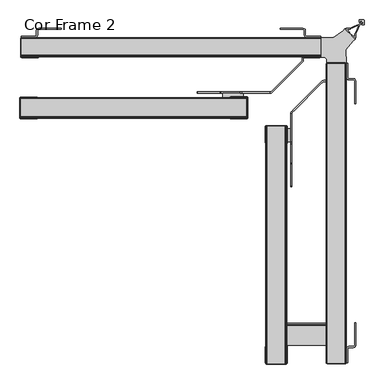
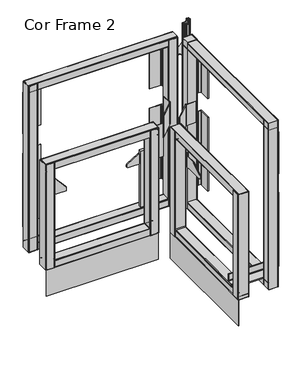
"""IFC4 building model written with IfcOpenShell, lengths in millimetres: furniture geometry, Cor Frame 2."""

from ifc_helpers import new_model, si_unit, point, frame, frame_2d, origin, origin_with_axes, place, context, project, spatial, polyline, circle_curve, trimmed, segment, composite_curve, outline, extrude, source, transform, mapped, element, save


def cor_frame_2_57cc7807(model_context):
    return source(origin(), model_context, "Body", "SweptSolid", [
        extrude(outline(polyline([(776.7687206, -78.7337293), (771.7687351, -73.7337166), (761.999782, -73.7336791), (761.9999273, -24.7106865), (793.9644007, -24.7107783), (818.8310193, -6.2158904), (823.1545797, -1.8924351), (848.6102945, -27.3483538), (844.2868162, -31.6718733), (824.89151, -54.6025556), (825.9938372, -88.5028693), (776.7687206, -88.5027279), (776.7687206, -78.7337293)])), frame((0.0, 0.0, 943.0270389), z_axis=(0.0, 0.0, 1.0), x_axis=(1.0, 0.0, 0.0)), (0.0, 0.0, 1.0), 3.1075138),
        extrude(outline(polyline([(829.705533, -814.2777027), (829.705533, -849.7620232), (826.675293, -849.7620232), (826.6752936, -814.2493364), (827.4816797, -811.2398635), (829.705533, -809.0160121), (832.7433728, -808.202022), (844.5696131, -808.202022), (846.0885339, -807.7950292), (847.2004595, -806.6831013), (847.6074523, -805.1641851), (847.6074523, -747.739865), (850.6452938, -747.739865), (850.6452938, -805.1641851), (849.831306, -808.202022), (847.6074523, -810.4258779), (844.5696131, -811.2398635), (832.7433728, -811.2398635), (831.2244529, -811.6468563), (830.1125264, -812.7587842), (829.705533, -814.2777027)])), frame((0.0, 0.0, 749.3020105), z_axis=(0.0, 0.0, 1.0), x_axis=(1.0, 0.0, 0.0)), (0.0, 0.0, 1.0), 227.1646322),
        extrude(outline(polyline([(829.6979498, -125.0097177), (830.1049431, -126.5286361), (831.2168697, -127.6405641), (832.7357895, -128.0475568), (844.5620299, -128.0475568), (847.5998691, -128.8615424), (849.8237227, -131.0853983), (850.6377105, -134.1232352), (850.6377105, -191.5475553), (847.5998691, -191.5475553), (847.5998691, -134.1232352), (847.1928763, -132.604319), (846.0809506, -131.4923911), (844.5620299, -131.0853983), (832.7357895, -131.0853983), (829.6979498, -130.2714082), (827.4740964, -128.0475568), (826.6677104, -125.0380839), (826.6677097, -89.5253971), (829.6979498, -89.5253971), (829.6979498, -125.0097177)])), frame((0.0, 0.0, 749.1634919), z_axis=(0.0, 0.0, 1.0), x_axis=(1.0, 0.0, 0.0)), (0.0, 0.0, 1.0), 229.1969209),
        extrude(outline(polyline([(725.6356885, -20.9397608), (761.120009, -20.9397608), (761.120009, -23.9700008), (725.6073222, -23.9700002), (722.5978493, -23.1636141), (720.3739979, -20.9397608), (719.5600078, -17.901921), (719.5600078, -6.0756807), (719.153015, -4.5567599), (718.0410871, -3.4448342), (716.5221709, -3.0378415), (659.0978508, -3.0378415), (659.0978508, 0.0), (716.5221709, 0.0), (719.5600078, -0.8139878), (721.7838637, -3.0378415), (722.5978493, -6.0756807), (722.5978493, -17.901921), (723.0048421, -19.4208409), (724.11677, -20.5327674), (725.6356885, -20.9397608)])), frame((0.0, 0.0, 752.9485738), z_axis=(0.0, 0.0, 1.0), x_axis=(1.0, 0.0, 0.0)), (0.0, 0.0, 1.0), 223.518069),
        extrude(outline(polyline([(36.3643206, -20.9397608), (37.8832391, -20.5327674), (38.995167, -19.4208409), (39.4021598, -17.901921), (39.4021598, -6.0756807), (40.2161454, -3.0378415), (42.4400013, -0.8139878), (45.4778382, 0.0), (102.9021583, 0.0), (102.9021583, -3.0378415), (45.4778382, -3.0378415), (43.958922, -3.4448342), (42.846994, -4.5567599), (42.4400013, -6.0756807), (42.4400013, -17.901921), (41.6260112, -20.9397608), (39.4021598, -23.1636141), (36.3926869, -23.9700002), (0.8800001, -23.9700008), (0.8800001, -20.9397608), (36.3643206, -20.9397608)])), frame((0.0, 0.0, 752.9485738), z_axis=(0.0, 0.0, 1.0), x_axis=(1.0, 0.0, 0.0)), (0.0, 0.0, 1.0), 223.518069),
        extrude(outline(polyline([(0.0, -226.566941), (573.0647824, -226.566941), (573.0647824, -228.5988664), (0.0, -228.5988664), (0.0, -226.566941)])), origin_with_axes(), (0.0, 0.0, 1.0), 142.2400006),
        extrude(outline(polyline([(685.3848199, -254.7622891), (685.3848199, -287.8070573), (675.2994826, -287.8070573), (675.2994826, -254.7622891), (685.3848199, -254.7622891)])), frame((0.0, 0.0, 270.8106843), z_axis=(0.0, 0.0, 1.0), x_axis=(1.0, 0.0, 0.0)), (0.0, 0.0, 1.0), 302.8186591),
        extrude(outline(polyline([(565.0267924, -164.8726753), (565.0267924, -176.7758205), (513.2720922, -176.7758205), (513.2720922, -164.8726753), (565.0267924, -164.8726753)])), frame((0.0, 0.0, 270.8106843), z_axis=(0.0, 0.0, 1.0), x_axis=(1.0, 0.0, 0.0)), (0.0, 0.0, 1.0), 302.8186591),
        extrude(outline(polyline([(-800.2294182, 497.0420085), (-803.3409198, 497.8757149), (-805.6186968, 500.1534828), (-806.4524214, 503.2649935), (-806.4524214, 580.3241343), (-802.2345465, 584.5420092), (-800.4044212, 586.37213), (-797.9044193, 587.0420019), (-781.0520959, 587.0420019), (-779.634845, 586.8369272), (-778.3338434, 586.2385626), (-777.2558114, 585.2959602), (-719.956134, 518.4463343), (-719.3000693, 517.4675786), (-718.8912553, 516.3624862), (-718.7524193, 515.1923904), (-718.7524193, 497.0420085), (-800.2294182, 497.0420085)])), frame((672.1244785, 0.0, 0.0), z_axis=(1.0, 0.0, 0.0), x_axis=(0.0, 1.0, 0.0)), (0.0, 0.0, 1.0), 2.9480724),
        extrude(outline(polyline([(497.0420085, 47.5022938), (497.0420085, 128.9792927), (515.1923904, 128.9792927), (516.3624862, 128.8404567), (517.4675786, 128.4316426), (518.4463343, 127.775578), (585.2959602, 70.4759006), (586.2385626, 69.3978686), (586.8369272, 68.096867), (587.0420019, 66.6796161), (587.0420019, 49.8272927), (586.37213, 47.3272908), (584.5420092, 45.4971654), (580.3241343, 41.2792906), (503.2649935, 41.2792906), (500.1534828, 42.1130152), (497.8757149, 44.3907922), (497.0420085, 47.5022938)])), frame((0.0, -181.5383205, 0.0), z_axis=(0.0, 1.0, 0.0), x_axis=(0.0, 0.0, 1.0)), (0.0, 0.0, 1.0), 2.9458206),
        extrude(outline(polyline([(-216.3709926, 497.0420085), (-397.8070473, 497.0420085), (-402.8070691, 502.041994), (-402.8070691, 514.2191214), (-400.3900291, 518.5002917), (-343.9985221, 552.5231423), (-341.4155402, 553.2419938), (-292.807061, 553.2419938), (-292.807061, 668.2419874), (-287.8070573, 673.2419729), (-216.3709926, 673.2419729), (-216.3709926, 497.0420085)])), frame((685.3848199, 0.0, 0.0), z_axis=(1.0, 0.0, 0.0), x_axis=(0.0, 1.0, 0.0)), (0.0, 0.0, 1.0), 3.0479971),
        extrude(outline(polyline([(497.0420085, 633.9198364), (673.2419729, 633.9198364), (673.2419729, 562.4837716), (668.2419874, 557.4837679), (553.2419938, 557.4837679), (553.2419938, 508.8752887), (552.5231423, 506.2923069), (518.5002917, 449.9007998), (514.2191214, 447.4837598), (502.041994, 447.4837598), (497.0420085, 452.4837817), (497.0420085, 633.9198364)])), frame((0.0, -164.8726753, 0.0), z_axis=(0.0, 1.0, 0.0), x_axis=(0.0, 0.0, 1.0)), (0.0, 0.0, 1.0), 3.0479971),
        extrude(outline(polyline([(633.8786218, -164.8647944), (633.8786218, -161.8167973), (634.7003739, -161.7085917), (635.4661157, -161.3913872), (636.1236882, -160.8868395), (637.5379006, -159.472609), (641.0734224, -155.9371416), (708.6148757, -88.3956248), (712.1504066, -84.8601574), (713.5646281, -83.4459269), (714.0691939, -82.7883362), (714.3863712, -82.0226126), (714.4945586, -81.2008604), (714.4945586, -32.7785254), (717.5425557, -32.7785254), (717.5425557, -81.2008604), (717.3305138, -82.8114453), (716.7088402, -84.3123711), (715.7198835, -85.6011732), (714.3056712, -87.0154038), (710.7701402, -90.5509438), (643.2286869, -158.092388), (639.6931469, -161.627928), (638.2789346, -163.0420859), (636.9901142, -164.0310517), (635.4892429, -164.6527434), (633.8786218, -164.8647944)])), frame((0.0, 0.0, 597.0420093), z_axis=(0.0, 0.0, 1.0), x_axis=(1.0, 0.0, 0.0)), (0.0, 0.0, 1.0), 113.7000003),
        extrude(outline(polyline([(685.3848199, -216.3709926), (685.596871, -214.7603714), (686.2185627, -213.2595001), (687.2075285, -211.9706798), (688.6216863, -210.5564674), (692.1572263, -207.0209274), (759.6986705, -139.4794741), (763.2342105, -135.9439432), (764.6484411, -134.5297308), (765.9372432, -133.5407741), (767.4381691, -132.9191005), (769.0487539, -132.7070586), (817.4710889, -132.7070586), (817.4710889, -135.7550557), (769.0487539, -135.7550557), (768.2270017, -135.8632432), (767.4612781, -136.1804204), (766.8036874, -136.6849862), (765.3894569, -138.0992077), (761.8539896, -141.6347386), (694.3124727, -209.1761919), (690.7770053, -212.7117137), (689.3627748, -214.1259261), (688.8582271, -214.7834986), (688.5410226, -215.5492404), (688.432817, -216.3709926), (685.3848199, -216.3709926)])), frame((0.0, 0.0, 597.0420093), z_axis=(0.0, 0.0, 1.0), x_axis=(1.0, 0.0, 0.0)), (0.0, 0.0, 1.0), 113.7000003),
        extrude(outline(polyline([(-224.6105092, 670.633925), (-226.4171717, 671.1180192), (-227.5793056, 672.2801498), (-227.8062373, 673.1270707), (-227.8062373, 707.4495339), (-227.1127976, 708.898009), (-225.805669, 709.8672858), (-224.6312332, 710.0924814), (-179.456232, 710.092486), (-177.8454079, 708.898009), (-177.1519681, 707.4495385), (-177.1519682, 705.3201518), (-177.1519687, 674.608229), (-177.7757757, 672.2801498), (-178.9379063, 671.1180192), (-180.7445705, 670.633925), (-224.6105092, 670.633925)]), holes=[composite_curve([segment(polyline([(-225.25623, 672.2730899), (-180.164026, 672.2730899)]), True, "CONTINUOUS"), segment(trimmed(circle_curve(frame_2d((-180.164026, 673.4793663)), 1.2062764), [point((-180.164026, 672.2730899))], [point((-178.9577496, 673.4793662))], True, "CARTESIAN"), True, "CONTINUOUS"), segment(polyline([(-178.9577496, 673.4793662), (-178.9577493, 706.8334351)]), True, "CONTINUOUS"), segment(trimmed(circle_curve(frame_2d((-180.2125782, 706.8334351)), 1.2548289), [point((-178.9577493, 706.8334351))], [point((-180.2125782, 708.088264))], True, "CARTESIAN"), True, "CONTINUOUS"), segment(polyline([(-180.2125782, 708.088264), (-225.1930729, 708.088264)]), True, "CONTINUOUS"), segment(trimmed(circle_curve(frame_2d((-225.1930729, 707.2312742)), 0.8569898), [point((-225.1930729, 708.088264))], [point((-226.0500627, 707.2312742))], True, "CARTESIAN"), True, "CONTINUOUS"), segment(polyline([(-226.0500627, 707.2312742), (-226.0500627, 706.1659872), (-226.0500627, 673.0669225)]), True, "CONTINUOUS"), segment(trimmed(circle_curve(frame_2d((-225.25623, 673.0669225)), 0.7938326), [point((-226.0500627, 673.0669225))], [point((-225.25623, 672.2730899))], True, "CARTESIAN"), True, "CONTINUOUS")], self_intersect=False)]), frame((0.0, 0.0, 0.0), z_axis=(1.0, 0.0, 0.0), x_axis=(0.0, 1.0, 0.0)), (0.0, 0.0, 1.0), 573.0647824),
        extrude(outline(polyline([(-225.4042592, 140.408925), (-227.2109217, 140.8930192), (-228.3730556, 142.0551498), (-228.5999873, 142.9020707), (-228.5999873, 177.2245339), (-227.9065476, 178.673009), (-226.599419, 179.6422858), (-225.4249832, 179.8674814), (-180.249982, 179.867486), (-178.6391579, 178.673009), (-177.9457181, 177.2245385), (-177.9457182, 175.0951518), (-177.9457187, 144.383229), (-178.5695257, 142.0551498), (-179.7316563, 140.8930192), (-181.5383205, 140.408925), (-225.4042592, 140.408925)]), holes=[composite_curve([segment(polyline([(-226.04998, 142.0480899), (-180.957776, 142.0480899)]), True, "CONTINUOUS"), segment(trimmed(circle_curve(frame_2d((-180.957776, 143.2543663)), 1.2062764), [point((-180.957776, 142.0480899))], [point((-179.7514996, 143.2543662))], True, "CARTESIAN"), True, "CONTINUOUS"), segment(polyline([(-179.7514996, 143.2543662), (-179.7514993, 176.6084351)]), True, "CONTINUOUS"), segment(trimmed(circle_curve(frame_2d((-181.0063282, 176.6084351)), 1.2548289), [point((-179.7514993, 176.6084351))], [point((-181.0063282, 177.863264))], True, "CARTESIAN"), True, "CONTINUOUS"), segment(polyline([(-181.0063282, 177.863264), (-225.9868229, 177.863264)]), True, "CONTINUOUS"), segment(trimmed(circle_curve(frame_2d((-225.9868229, 177.0062742)), 0.8569898), [point((-225.9868229, 177.863264))], [point((-226.8438127, 177.0062742))], True, "CARTESIAN"), True, "CONTINUOUS"), segment(polyline([(-226.8438127, 177.0062742), (-226.8438127, 175.9409872), (-226.8438127, 142.8419225)]), True, "CONTINUOUS"), segment(trimmed(circle_curve(frame_2d((-226.04998, 142.8419225)), 0.7938326), [point((-226.8438127, 142.8419225))], [point((-226.04998, 142.0480899))], True, "CARTESIAN"), True, "CONTINUOUS")], self_intersect=False)]), frame((0.0, 0.0, 0.0), z_axis=(1.0, 0.0, 0.0), x_axis=(0.0, 1.0, 0.0)), (0.0, 0.0, 1.0), 573.0647824),
        extrude(outline(polyline([(533.0843196, -229.8375756), (531.4968211, -229.4122062), (530.3346873, -228.2500757), (530.1077556, -227.4031548), (530.1077556, -177.1057998), (530.8011953, -175.6573248), (532.1083239, -174.688048), (533.2827592, -174.4628524), (574.4890115, -174.4628483), (576.0998349, -175.6573248), (576.7932747, -177.1057953), (576.7932747, -179.235182), (576.7932738, -225.9219975), (576.1694671, -228.2500757), (575.0073365, -229.4122063), (573.4198366, -229.8375756), (533.0843196, -229.8375756)]), holes=[composite_curve([segment(polyline([(532.6577628, -227.9325755), (573.7812164, -227.9325755)]), True, "CONTINUOUS"), segment(trimmed(circle_curve(frame_2d((573.7812164, -226.7262991)), 1.2062764), [point((573.7812164, -227.9325755))], [point((574.9874928, -226.7262992))], True, "CARTESIAN"), True, "CONTINUOUS"), segment(polyline([(574.9874928, -226.7262992), (574.9874936, -177.7218987)]), True, "CONTINUOUS"), segment(trimmed(circle_curve(frame_2d((573.7326647, -177.7218986)), 1.2548289), [point((574.9874936, -177.7218987))], [point((573.7326647, -176.4670698))], True, "CARTESIAN"), True, "CONTINUOUS"), segment(polyline([(573.7326647, -176.4670698), (532.72092, -176.4670698)]), True, "CONTINUOUS"), segment(trimmed(circle_curve(frame_2d((532.72092, -177.3240596)), 0.8569898), [point((532.72092, -176.4670698))], [point((531.8639302, -177.3240596))], True, "CARTESIAN"), True, "CONTINUOUS"), segment(polyline([(531.8639302, -177.3240596), (531.8639302, -178.3893466), (531.8639302, -227.1387429)]), True, "CONTINUOUS"), segment(trimmed(circle_curve(frame_2d((532.6577628, -227.1387429)), 0.7938326), [point((531.8639302, -227.1387429))], [point((532.6577628, -227.9325755))], True, "CARTESIAN"), True, "CONTINUOUS")], self_intersect=False)]), frame((0.0, 0.0, 142.2400006), z_axis=(0.0, 0.0, 1.0), x_axis=(1.0, 0.0, 0.0)), (0.0, 0.0, 1.0), 565.9119781),
        extrude(outline(polyline([(0.1933567, -230.2344506), (-1.3941418, -229.8090812), (-2.5562756, -228.6469507), (-2.7832073, -227.8000298), (-2.7832073, -177.5026748), (-2.0897676, -176.0541998), (-0.782639, -175.084923), (0.3917964, -174.8597274), (41.5980487, -174.8597233), (43.2088721, -176.0541998), (43.9023119, -177.5026703), (43.9023118, -179.632057), (43.902311, -226.3188725), (43.2785043, -228.6469507), (42.1163736, -229.8090813), (40.5288737, -230.2344506), (0.1933567, -230.2344506)]), holes=[composite_curve([segment(polyline([(-0.2332, -228.3294505), (40.8902535, -228.3294505)]), True, "CONTINUOUS"), segment(trimmed(circle_curve(frame_2d((40.8902535, -227.1231741)), 1.2062764), [point((40.8902535, -228.3294505))], [point((42.0965299, -227.1231742))], True, "CARTESIAN"), True, "CONTINUOUS"), segment(polyline([(42.0965299, -227.1231742), (42.0965307, -178.1187737)]), True, "CONTINUOUS"), segment(trimmed(circle_curve(frame_2d((40.8417018, -178.1187736)), 1.2548289), [point((42.0965307, -178.1187737))], [point((40.8417018, -176.8639448))], True, "CARTESIAN"), True, "CONTINUOUS"), segment(polyline([(40.8417018, -176.8639448), (-0.1700429, -176.8639448)]), True, "CONTINUOUS"), segment(trimmed(circle_curve(frame_2d((-0.1700429, -177.7209346)), 0.8569898), [point((-0.1700429, -176.8639448))], [point((-1.0270327, -177.7209346))], True, "CARTESIAN"), True, "CONTINUOUS"), segment(polyline([(-1.0270327, -177.7209346), (-1.0270327, -178.7862216), (-1.0270327, -227.5356179)]), True, "CONTINUOUS"), segment(trimmed(circle_curve(frame_2d((-0.2332, -227.5356179)), 0.7938326), [point((-1.0270327, -227.5356179))], [point((-0.2332, -228.3294505))], True, "CARTESIAN"), True, "CONTINUOUS")], self_intersect=False)]), frame((0.0, 0.0, 142.2400006), z_axis=(0.0, 0.0, 1.0), x_axis=(1.0, 0.0, 0.0)), (0.0, 0.0, 1.0), 565.9119781),
        extrude(outline(composite_curve([segment(trimmed(circle_curve(frame_2d((689.1019787, 19.681731)), 19.05), [point((708.1519787, 19.681731))], [point((689.1019787, 0.631731))], False, "CARTESIAN"), True, "CONTINUOUS"), segment(polyline([(689.1019787, 0.631731), (164.3379977, 0.631731)]), True, "CONTINUOUS"), segment(trimmed(circle_curve(frame_2d((164.3379977, 19.681731)), 19.05), [point((164.3379977, 0.631731))], [point((145.2879977, 19.681731))], False, "CARTESIAN"), True, "CONTINUOUS"), segment(polyline([(145.2879977, 19.681731), (145.2879977, 555.5017924)]), True, "CONTINUOUS"), segment(trimmed(circle_curve(frame_2d((164.3379977, 555.5017924)), 19.05), [point((145.2879977, 555.5017924))], [point((164.3379977, 574.5517924))], False, "CARTESIAN"), True, "CONTINUOUS"), segment(polyline([(164.3379977, 574.5517924), (689.1019787, 574.5517924)]), True, "CONTINUOUS"), segment(trimmed(circle_curve(frame_2d((689.1019787, 555.5017924)), 19.05), [point((689.1019787, 574.5517924))], [point((708.1519787, 555.5017924))], False, "CARTESIAN"), True, "CONTINUOUS"), segment(polyline([(708.1519787, 555.5017924), (708.1519787, 19.681731)]), True, "CONTINUOUS")], self_intersect=False), holes=[composite_curve([segment(polyline([(676.3210001, 60.3250015), (676.3210001, 514.2267909)]), True, "CONTINUOUS"), segment(trimmed(circle_curve(frame_2d((657.2710001, 514.2267909)), 19.05), [point((676.3210001, 514.2267909))], [point((657.2710001, 533.2767909))], True, "CARTESIAN"), True, "CONTINUOUS"), segment(polyline([(657.2710001, 533.2767909), (193.2638393, 533.2767909)]), True, "CONTINUOUS"), segment(trimmed(circle_curve(frame_2d((193.2638393, 514.2267909)), 19.05), [point((193.2638393, 533.2767909))], [point((174.2138393, 514.2267909))], True, "CARTESIAN"), True, "CONTINUOUS"), segment(polyline([(174.2138393, 514.2267909), (174.2138393, 60.3250015)]), True, "CONTINUOUS"), segment(trimmed(circle_curve(frame_2d((193.2638393, 60.3250015)), 19.05), [point((174.2138393, 60.3250015))], [point((193.2638393, 41.2750015))], True, "CARTESIAN"), True, "CONTINUOUS"), segment(polyline([(193.2638393, 41.2750015), (657.2710001, 41.2750015)]), True, "CONTINUOUS"), segment(trimmed(circle_curve(frame_2d((657.2710001, 60.3250015)), 19.05), [point((657.2710001, 41.2750015))], [point((676.3210001, 60.3250015))], True, "CARTESIAN"), True, "CONTINUOUS")], self_intersect=False)]), frame((0.0, -227.5757721, 0.0), z_axis=(0.0, 1.0, 0.0), x_axis=(0.0, 0.0, 1.0)), (0.0, 0.0, 1.0), 50.7999516),
        extrude(outline(polyline([(-749.0452291, 217.1649967), (-749.0452291, 183.3880068), (-749.8789537, 180.2764961), (-752.1567216, 177.9987282), (-755.2682141, 177.1650036), (-805.4952264, 177.1650036), (-805.4952264, 180.2130007), (-755.2682141, 180.2130007), (-753.6807202, 180.6383745), (-752.5186, 181.8004947), (-752.0932262, 183.3880068), (-752.0932262, 217.1649967), (-749.0452291, 217.1649967)])), frame((629.3807693, 0.0, 0.0), z_axis=(1.0, 0.0, 0.0), x_axis=(0.0, 1.0, 0.0)), (0.0, 0.0, 1.0), 192.2780165),
        extrude(outline(polyline([(776.7687206, -78.8763969), (771.7687351, -73.8763841), (761.999782, -73.8763467), (761.9999273, -24.853354), (793.9644007, -24.8534458), (818.8310193, -6.3585579), (823.225914, -1.96377), (848.6816277, -27.4196875), (844.2868162, -31.8145408), (824.89151, -54.7452231), (825.9938372, -88.6455368), (776.7687206, -88.6453954), (776.7687206, -78.8763969)])), frame((0.0, 0.0, 446.8009254), z_axis=(0.0, 0.0, 1.0), x_axis=(1.0, 0.0, 0.0)), (0.0, 0.0, 1.0), 3.1075138),
        extrude(outline(composite_curve([segment(polyline([(840.7142486, -16.1995263), (846.120508, -21.6057763), (847.5538778, -21.6223336)]), True, "CONTINUOUS"), segment(trimmed(circle_curve(frame_2d((847.5611598, -20.9919215)), 0.6304541), [point((847.5538778, -21.6223336))], [point((848.191614, -20.9919215))], True, "CARTESIAN"), True, "CONTINUOUS"), segment(polyline([(848.191614, -20.9919215), (848.191614, -15.9737661), (848.2500406, -15.1387278), (848.4240126, -14.3199426), (848.7103716, -13.5332399), (857.4882849, 6.18199), (856.8280781, 6.8421332), (845.5869764, 1.838026), (837.112203, -1.9351517), (836.3256231, -2.2214464), (835.5068504, -2.3954842), (834.6717997, -2.4538723), (829.8381843, -2.4538595)]), True, "CONTINUOUS"), segment(trimmed(circle_curve(frame_2d((829.8381821, -3.2667454)), 0.8128858), [point((829.8381843, -2.4538595))], [point((829.0253503, -3.2761143))], True, "CARTESIAN"), True, "CONTINUOUS"), segment(polyline([(829.0253503, -3.2761143), (829.0397453, -4.5250027), (834.537224, -10.0224718)]), True, "CONTINUOUS"), segment(trimmed(circle_curve(frame_2d((834.2442676, -10.3154288)), 0.4143033), [point((834.537224, -10.0224718))], [point((834.2413862, -10.729722))], False, "CARTESIAN"), True, "CONTINUOUS"), segment(polyline([(834.2413862, -10.729722), (831.9760065, -10.7139665), (826.6722116, -5.4100985), (826.6722826, -1.4541056)]), True, "CONTINUOUS"), segment(trimmed(circle_curve(frame_2d((827.9725591, -1.4541289)), 1.3002766), [point((826.6722826, -1.4541056))], [point((827.9725632, -0.1538524))], False, "CARTESIAN"), True, "CONTINUOUS"), segment(polyline([(827.9725632, -0.1538524), (834.1829487, -0.1538719), (835.0179995, -0.0954815), (835.8367722, 0.078554), (836.6233521, 0.3648487), (843.8449316, 3.5800822), (859.4952917, 10.5472485), (865.6680394, 16.7199656)]), True, "CONTINUOUS"), segment(trimmed(circle_curve(frame_2d((864.9098529, 17.4781558)), 1.0722403), [point((865.6680394, 16.7199656))], [point((864.909797, 18.5503961))], True, "CARTESIAN"), True, "CONTINUOUS"), segment(polyline([(864.909797, 18.5503961), (862.6601995, 18.5502789)]), True, "CONTINUOUS"), segment(trimmed(circle_curve(frame_2d((862.6602446, 17.6856276)), 0.8646513), [point((862.6601995, 18.5502789))], [point((861.7955933, 17.6855963))], True, "CARTESIAN"), True, "CONTINUOUS"), segment(polyline([(861.7955933, 17.6855963), (861.7956505, 16.1099291)]), True, "CONTINUOUS"), segment(trimmed(circle_curve(frame_2d((861.2330068, 16.1099087)), 0.5626437), [point((861.7956505, 16.1099291))], [point((861.2330362, 15.5472649))], False, "CARTESIAN"), True, "CONTINUOUS"), segment(polyline([(861.2330362, 15.5472649), (860.0371774, 15.5472023)]), True, "CONTINUOUS"), segment(trimmed(circle_curve(frame_2d((860.037149, 16.0887055)), 0.5415032), [point((860.0371774, 15.5472023))], [point((859.4956458, 16.0886793))], False, "CARTESIAN"), True, "CONTINUOUS"), segment(polyline([(859.4956458, 16.0886793), (859.495434, 20.4632737)]), True, "CONTINUOUS"), segment(trimmed(circle_curve(frame_2d((860.5822735, 20.4633263)), 1.0868395), [point((859.495434, 20.4632737))], [point((860.5822954, 21.5501659))], False, "CARTESIAN"), True, "CONTINUOUS"), segment(polyline([(860.5822954, 21.5501659), (870.1961575, 21.5499723), (871.1961691, 21.2820199), (871.9282465, 20.5499652), (872.1961807, 19.5499672), (872.1961077, 9.8060175)]), True, "CONTINUOUS"), segment(trimmed(circle_curve(frame_2d((871.2400515, 9.8060246)), 0.9560562), [point((872.1961077, 9.8060175))], [point((871.2400486, 8.8499684))], False, "CARTESIAN"), True, "CONTINUOUS"), segment(polyline([(871.2400486, 8.8499684), (866.7365405, 8.849982)]), True, "CONTINUOUS"), segment(trimmed(circle_curve(frame_2d((866.7365421, 9.39332)), 0.543338), [point((866.7365405, 8.849982))], [point((866.1932041, 9.39332))], False, "CARTESIAN"), True, "CONTINUOUS"), segment(polyline([(866.1932041, 9.39332), (866.1932041, 10.5520556)]), True, "CONTINUOUS"), segment(trimmed(circle_curve(frame_2d((866.7911304, 10.5520556)), 0.5979263), [point((866.1932041, 10.5520556))], [point((866.7911324, 11.1499819))], False, "CARTESIAN"), True, "CONTINUOUS"), segment(polyline([(866.7911324, 11.1499819), (868.573447, 11.1499758)]), True, "CONTINUOUS"), segment(trimmed(circle_curve(frame_2d((868.5734492, 11.7726725)), 0.6226967), [point((868.573447, 11.1499758))], [point((869.1961458, 11.7726725))], True, "CARTESIAN"), True, "CONTINUOUS"), segment(polyline([(869.1961458, 11.7726725), (869.1961458, 14.3572847)]), True, "CONTINUOUS"), segment(trimmed(circle_curve(frame_2d((868.1624249, 14.3572847)), 1.0337209), [point((869.1961458, 14.3572847))], [point((867.4314778, 15.0882397))], True, "CARTESIAN"), True, "CONTINUOUS"), segment(polyline([(867.4314778, 15.0882397), (861.1943665, 8.8511953), (854.2256207, -6.8006648), (851.0103373, -14.0222341), (850.7240175, -14.8088293), (850.5499729, -15.6276145), (850.4916189, -16.4626528), (850.4916189, -22.9129112)]), True, "CONTINUOUS"), segment(trimmed(circle_curve(frame_2d((849.4312197, -22.9129112)), 1.0603992), [point((850.4916189, -22.9129112))], [point((849.4312167, -23.9733104))], False, "CARTESIAN"), True, "CONTINUOUS"), segment(polyline([(849.4312167, -23.9733104), (845.2352687, -23.9732983), (839.9315183, -18.6694747), (839.9166319, -16.5331708)]), True, "CONTINUOUS"), segment(trimmed(circle_curve(frame_2d((840.3838604, -16.529915)), 0.4672399), [point((839.9166319, -16.5331708))], [point((840.7142486, -16.1995263))], False, "CARTESIAN"), True, "CONTINUOUS")], self_intersect=False)), frame((0.0, 0.0, 142.2400006), z_axis=(0.0, 0.0, 1.0), x_axis=(1.0, 0.0, 0.0)), (0.0, 0.0, 1.0), 907.4600257),
        extrude(outline(polyline([(670.633925, 671.3100045), (671.1180192, 673.1166671), (672.2801498, 674.2788009), (673.1270707, 674.5057326), (707.4495339, 674.5057326), (708.898009, 673.8122929), (709.8672858, 672.5051643), (710.0924814, 671.3307285), (710.092486, 626.1557273), (708.898009, 624.5449032), (707.4495385, 623.8514635), (705.3201518, 623.8514635), (674.608229, 623.851464), (672.2801498, 624.475271), (671.1180192, 625.6374017), (670.633925, 627.4440659), (670.633925, 671.3100045)]), holes=[composite_curve([segment(polyline([(672.2730899, 671.9557254), (672.2730899, 626.8635213)]), True, "CONTINUOUS"), segment(trimmed(circle_curve(frame_2d((673.4793663, 626.8635213)), 1.2062764), [point((672.2730899, 626.8635213))], [point((673.4793662, 625.6572449))], True, "CARTESIAN"), True, "CONTINUOUS"), segment(polyline([(673.4793662, 625.6572449), (706.8334351, 625.6572446)]), True, "CONTINUOUS"), segment(trimmed(circle_curve(frame_2d((706.8334351, 626.9120735)), 1.2548289), [point((706.8334351, 625.6572446))], [point((708.088264, 626.9120735))], True, "CARTESIAN"), True, "CONTINUOUS"), segment(polyline([(708.088264, 626.9120735), (708.088264, 671.8925682)]), True, "CONTINUOUS"), segment(trimmed(circle_curve(frame_2d((707.2312742, 671.8925682)), 0.8569898), [point((708.088264, 671.8925682))], [point((707.2312742, 672.749558))], True, "CARTESIAN"), True, "CONTINUOUS"), segment(polyline([(707.2312742, 672.749558), (706.1659872, 672.749558), (673.0669225, 672.749558)]), True, "CONTINUOUS"), segment(trimmed(circle_curve(frame_2d((673.0669225, 671.9557254)), 0.7938326), [point((673.0669225, 672.749558))], [point((672.2730899, 671.9557254))], True, "CARTESIAN"), True, "CONTINUOUS")], self_intersect=False)]), frame((0.0, -852.2329136, 0.0), z_axis=(0.0, 1.0, 0.0), x_axis=(0.0, 0.0, 1.0)), (0.0, 0.0, 1.0), 603.3117362),
        extrude(outline(polyline([(140.408925, 672.1037545), (140.8930192, 673.9104171), (142.0551498, 675.0725509), (142.9020707, 675.2994826), (177.2245339, 675.2994826), (178.673009, 674.6060429), (179.6422858, 673.2989143), (179.8674814, 672.1244785), (179.867486, 626.9494773), (178.673009, 625.3386532), (177.2245385, 624.6452135), (175.0951518, 624.6452135), (144.383229, 624.645214), (142.0551498, 625.269021), (140.8930192, 626.4311517), (140.408925, 628.2378159), (140.408925, 672.1037545)]), holes=[composite_curve([segment(polyline([(142.0480899, 672.7494754), (142.0480899, 627.6572713)]), True, "CONTINUOUS"), segment(trimmed(circle_curve(frame_2d((143.2543663, 627.6572713)), 1.2062764), [point((142.0480899, 627.6572713))], [point((143.2543662, 626.4509949))], True, "CARTESIAN"), True, "CONTINUOUS"), segment(polyline([(143.2543662, 626.4509949), (176.6084351, 626.4509946)]), True, "CONTINUOUS"), segment(trimmed(circle_curve(frame_2d((176.6084351, 627.7058235)), 1.2548289), [point((176.6084351, 626.4509946))], [point((177.863264, 627.7058235))], True, "CARTESIAN"), True, "CONTINUOUS"), segment(polyline([(177.863264, 627.7058235), (177.863264, 672.6863182)]), True, "CONTINUOUS"), segment(trimmed(circle_curve(frame_2d((177.0062742, 672.6863182)), 0.8569898), [point((177.863264, 672.6863182))], [point((177.0062742, 673.543308))], True, "CARTESIAN"), True, "CONTINUOUS"), segment(polyline([(177.0062742, 673.543308), (175.9409872, 673.543308), (142.8419225, 673.543308)]), True, "CONTINUOUS"), segment(trimmed(circle_curve(frame_2d((142.8419225, 672.7494754)), 0.7938326), [point((142.8419225, 673.543308))], [point((142.0480899, 672.7494754))], True, "CARTESIAN"), True, "CONTINUOUS")], self_intersect=False)]), frame((0.0, -852.2329136, 0.0), z_axis=(0.0, 1.0, 0.0), x_axis=(0.0, 0.0, 1.0)), (0.0, 0.0, 1.0), 603.3438128),
        extrude(outline(polyline([(140.408925, 823.475285), (140.8930192, 825.2819475), (142.0551498, 826.4440814), (142.9020707, 826.6710131), (177.2245339, 826.6710131), (178.673009, 825.9775734), (179.6422858, 824.6704448), (179.8674814, 823.496009), (179.867486, 778.3210078), (178.673009, 776.7101837), (177.2245385, 776.0167439), (175.0951518, 776.016744), (144.383229, 776.0167445), (142.0551498, 776.6405515), (140.8930192, 777.8026821), (140.408925, 779.6093463), (140.408925, 823.475285)]), holes=[composite_curve([segment(polyline([(142.0480899, 824.1210058), (142.0480899, 779.0288018)]), True, "CONTINUOUS"), segment(trimmed(circle_curve(frame_2d((143.2543663, 779.0288018)), 1.2062764), [point((142.0480899, 779.0288018))], [point((143.2543662, 777.8225254))], True, "CARTESIAN"), True, "CONTINUOUS"), segment(polyline([(143.2543662, 777.8225254), (176.6084351, 777.8225251)]), True, "CONTINUOUS"), segment(trimmed(circle_curve(frame_2d((176.6084351, 779.077354)), 1.2548289), [point((176.6084351, 777.8225251))], [point((177.863264, 779.077354))], True, "CARTESIAN"), True, "CONTINUOUS"), segment(polyline([(177.863264, 779.077354), (177.863264, 824.0578487)]), True, "CONTINUOUS"), segment(trimmed(circle_curve(frame_2d((177.0062742, 824.0578487)), 0.8569898), [point((177.863264, 824.0578487))], [point((177.0062742, 824.9148385))], True, "CARTESIAN"), True, "CONTINUOUS"), segment(polyline([(177.0062742, 824.9148385), (175.9409872, 824.9148385), (142.8419225, 824.9148385)]), True, "CONTINUOUS"), segment(trimmed(circle_curve(frame_2d((142.8419225, 824.1210058)), 0.7938326), [point((142.8419225, 824.9148385))], [point((142.0480899, 824.1210058))], True, "CARTESIAN"), True, "CONTINUOUS")], self_intersect=False)]), frame((0.0, -850.6454136, 0.0), z_axis=(0.0, 1.0, 0.0), x_axis=(0.0, 0.0, 1.0)), (0.0, 0.0, 1.0), 760.1404539),
        extrude(outline(polyline([(-69.0752644, 140.4906375), (-70.881927, 140.9747318), (-72.0440608, 142.1368623), (-72.2709925, 142.9837832), (-72.2709925, 177.3062465), (-71.5775528, 178.7547215), (-70.2704242, 179.7239983), (-69.0959888, 179.9491939), (-27.8897365, 179.949198), (-26.2789131, 178.7547215), (-25.5854733, 177.306251), (-25.5854734, 175.1768643), (-25.5854739, 144.4649415), (-26.2092809, 142.1368623), (-27.3714116, 140.9747317), (-29.1780757, 140.4906375), (-69.0752644, 140.4906375)]), holes=[composite_curve([segment(polyline([(-69.7209852, 142.1298024), (-28.5975312, 142.1298024)]), True, "CONTINUOUS"), segment(trimmed(circle_curve(frame_2d((-28.5975312, 143.3360788)), 1.2062764), [point((-28.5975312, 142.1298024))], [point((-27.3912548, 143.3360787))], True, "CARTESIAN"), True, "CONTINUOUS"), segment(polyline([(-27.3912548, 143.3360787), (-27.3912545, 176.6901476)]), True, "CONTINUOUS"), segment(trimmed(circle_curve(frame_2d((-28.6460834, 176.6901476)), 1.2548289), [point((-27.3912545, 176.6901476))], [point((-28.6460834, 177.9449765))], True, "CARTESIAN"), True, "CONTINUOUS"), segment(polyline([(-28.6460834, 177.9449765), (-69.6578281, 177.9449765)]), True, "CONTINUOUS"), segment(trimmed(circle_curve(frame_2d((-69.6578281, 177.0879867)), 0.8569898), [point((-69.6578281, 177.9449765))], [point((-70.5148179, 177.0879867))], True, "CARTESIAN"), True, "CONTINUOUS"), segment(polyline([(-70.5148179, 177.0879867), (-70.5148179, 176.0226997), (-70.5148179, 142.923635)]), True, "CONTINUOUS"), segment(trimmed(circle_curve(frame_2d((-69.7209852, 142.923635)), 0.7938326), [point((-70.5148179, 142.923635))], [point((-69.7209852, 142.1298024))], True, "CARTESIAN"), True, "CONTINUOUS")], self_intersect=False)]), frame((1.508125, 0.0, 0.0), z_axis=(1.0, 0.0, 0.0), x_axis=(0.0, 1.0, 0.0)), (0.0, 0.0, 1.0), 760.1404539),
        extrude(outline(polyline([(1001.4816942, 823.475285), (1001.9657885, 825.2819475), (1003.127919, 826.4440814), (1003.9748399, 826.6710131), (1038.2973032, 826.6710131), (1039.7457782, 825.9775734), (1040.715055, 824.6704448), (1040.9402507, 823.496009), (1040.9402552, 778.3210078), (1039.7457782, 776.7101837), (1038.2973077, 776.0167439), (1036.1679211, 776.016744), (1005.4559983, 776.0167445), (1003.127919, 776.6405515), (1001.9657884, 777.8026821), (1001.4816942, 779.6093463), (1001.4816942, 823.475285)]), holes=[composite_curve([segment(polyline([(1003.1208591, 824.1210058), (1003.1208591, 779.0288018)]), True, "CONTINUOUS"), segment(trimmed(circle_curve(frame_2d((1004.3271355, 779.0288018)), 1.2062764), [point((1003.1208591, 779.0288018))], [point((1004.3271355, 777.8225254))], True, "CARTESIAN"), True, "CONTINUOUS"), segment(polyline([(1004.3271355, 777.8225254), (1037.6812043, 777.8225251)]), True, "CONTINUOUS"), segment(trimmed(circle_curve(frame_2d((1037.6812044, 779.077354)), 1.2548289), [point((1037.6812043, 777.8225251))], [point((1038.9360332, 779.077354))], True, "CARTESIAN"), True, "CONTINUOUS"), segment(polyline([(1038.9360332, 779.077354), (1038.9360332, 824.0578487)]), True, "CONTINUOUS"), segment(trimmed(circle_curve(frame_2d((1038.0790435, 824.0578487)), 0.8569898), [point((1038.9360332, 824.0578487))], [point((1038.0790435, 824.9148385))], True, "CARTESIAN"), True, "CONTINUOUS"), segment(polyline([(1038.0790435, 824.9148385), (1037.0137564, 824.9148385), (1003.9146917, 824.9148385)]), True, "CONTINUOUS"), segment(trimmed(circle_curve(frame_2d((1003.9146917, 824.1210058)), 0.7938326), [point((1003.9146917, 824.9148385))], [point((1003.1208591, 824.1210058))], True, "CARTESIAN"), True, "CONTINUOUS")], self_intersect=False)]), frame((0.0, -850.6454136, 0.0), z_axis=(0.0, 1.0, 0.0), x_axis=(0.0, 0.0, 1.0)), (0.0, 0.0, 1.0), 760.1404539),
        extrude(outline(polyline([(829.705533, -814.2777027), (829.705533, -849.7620232), (826.675293, -849.7620232), (826.6752936, -814.2493364), (827.4816797, -811.2398635), (829.705533, -809.0160121), (832.7433728, -808.202022), (844.5696131, -808.202022), (846.0885339, -807.7950292), (847.2004595, -806.6831013), (847.6074523, -805.1641851), (847.6074523, -747.739865), (850.6452938, -747.739865), (850.6452938, -805.1641851), (849.831306, -808.202022), (847.6074523, -810.4258779), (844.5696131, -811.2398635), (832.7433728, -811.2398635), (831.2244529, -811.6468563), (830.1125264, -812.7587842), (829.705533, -814.2777027)])), frame((0.0, 0.0, 249.7472486), z_axis=(0.0, 0.0, 1.0), x_axis=(1.0, 0.0, 0.0)), (0.0, 0.0, 1.0), 398.4147871),
        extrude(outline(polyline([(829.6979498, -125.0097177), (830.1049431, -126.5286361), (831.2168697, -127.6405641), (832.7357895, -128.0475568), (844.5620299, -128.0475568), (847.5998691, -128.8615424), (849.8237227, -131.0853983), (850.6377105, -134.1232352), (850.6377105, -191.5475553), (847.5998691, -191.5475553), (847.5998691, -134.1232352), (847.1928763, -132.604319), (846.0809506, -131.4923911), (844.5620299, -131.0853983), (832.7357895, -131.0853983), (829.6979498, -130.2714082), (827.4740964, -128.0475568), (826.6677104, -125.0380839), (826.6677097, -89.5253971), (829.6979498, -89.5253971), (829.6979498, -125.0097177)])), frame((0.0, 0.0, 249.7472486), z_axis=(0.0, 0.0, 1.0), x_axis=(1.0, 0.0, 0.0)), (0.0, 0.0, 1.0), 398.4147871),
        extrude(outline(polyline([(725.6356885, -20.9397608), (761.120009, -20.9397608), (761.120009, -23.9700008), (725.6073222, -23.9700002), (722.5978493, -23.1636141), (720.3739979, -20.9397608), (719.5600078, -17.901921), (719.5600078, -6.0756807), (719.153015, -4.5567599), (718.0410871, -3.4448342), (716.5221709, -3.0378415), (659.0978508, -3.0378415), (659.0978508, 0.0), (716.5221709, 0.0), (719.5600078, -0.8139878), (721.7838637, -3.0378415), (722.5978493, -6.0756807), (722.5978493, -17.901921), (723.0048421, -19.4208409), (724.11677, -20.5327674), (725.6356885, -20.9397608)])), frame((0.0, 0.0, 251.0568051), z_axis=(0.0, 0.0, 1.0), x_axis=(1.0, 0.0, 0.0)), (0.0, 0.0, 1.0), 397.1052306),
        extrude(outline(polyline([(36.3643206, -20.9397608), (37.8832391, -20.5327674), (38.995167, -19.4208409), (39.4021598, -17.901921), (39.4021598, -6.0756807), (40.2161454, -3.0378415), (42.4400013, -0.8139878), (45.4778382, 0.0), (102.9021583, 0.0), (102.9021583, -3.0378415), (45.4778382, -3.0378415), (43.958922, -3.4448342), (42.846994, -4.5567599), (42.4400013, -6.0756807), (42.4400013, -17.901921), (41.6260112, -20.9397608), (39.4021598, -23.1636141), (36.3926869, -23.9700002), (0.8800001, -23.9700008), (0.8800001, -20.9397608), (36.3643206, -20.9397608)])), frame((0.0, 0.0, 251.0568051), z_axis=(0.0, 0.0, 1.0), x_axis=(1.0, 0.0, 0.0)), (0.0, 0.0, 1.0), 397.1052306),
        extrude(outline(polyline([(623.4753159, -248.8891008), (623.4753159, -850.6454136), (621.4433905, -850.6454136), (621.4433905, -248.8891008), (623.4753159, -248.8891008)])), origin_with_axes(), (0.0, 0.0, 1.0), 139.700003),
        extrude(outline(polyline([(-68.3595847, 1001.8666427), (-70.1662472, 1002.350737), (-71.3283811, 1003.5128675), (-71.5553128, 1004.3597884), (-71.5553128, 1038.6822517), (-70.8618731, 1040.1307267), (-69.5547445, 1041.1000035), (-68.3803091, 1041.3251991), (-27.1740568, 1041.3252032), (-25.5632334, 1040.1307267), (-24.8697936, 1038.6822563), (-24.8697937, 1036.5528696), (-24.8697942, 1005.8409468), (-25.4936012, 1003.5128675), (-26.6557318, 1002.350737), (-28.462396, 1001.8666427), (-68.3595847, 1001.8666427)]), holes=[composite_curve([segment(polyline([(-69.0053055, 1003.5058076), (-27.8818515, 1003.5058076)]), True, "CONTINUOUS"), segment(trimmed(circle_curve(frame_2d((-27.8818515, 1004.712084)), 1.2062764), [point((-27.8818515, 1003.5058076))], [point((-26.6755751, 1004.712084))], True, "CARTESIAN"), True, "CONTINUOUS"), segment(polyline([(-26.6755751, 1004.712084), (-26.6755748, 1038.0661529)]), True, "CONTINUOUS"), segment(trimmed(circle_curve(frame_2d((-27.9304036, 1038.0661529)), 1.2548289), [point((-26.6755748, 1038.0661529))], [point((-27.9304036, 1039.3209818))], True, "CARTESIAN"), True, "CONTINUOUS"), segment(polyline([(-27.9304036, 1039.3209818), (-68.9421484, 1039.3209818)]), True, "CONTINUOUS"), segment(trimmed(circle_curve(frame_2d((-68.9421484, 1038.463992)), 0.8569898), [point((-68.9421484, 1039.3209818))], [point((-69.7991382, 1038.463992))], True, "CARTESIAN"), True, "CONTINUOUS"), segment(polyline([(-69.7991382, 1038.463992), (-69.7991382, 1037.3987049), (-69.7991382, 1004.2996402)]), True, "CONTINUOUS"), segment(trimmed(circle_curve(frame_2d((-69.0053055, 1004.2996402)), 0.7938326), [point((-69.7991382, 1004.2996402))], [point((-69.0053055, 1003.5058076))], True, "CARTESIAN"), True, "CONTINUOUS")], self_intersect=False)]), frame((1.508125, 0.0, 0.0), z_axis=(1.0, 0.0, 0.0), x_axis=(0.0, 1.0, 0.0)), (0.0, 0.0, 1.0), 760.1404539),
        extrude(outline(polyline([(676.5965627, -290.8243509), (676.1711934, -292.4118494), (675.0090628, -293.5739832), (674.162142, -293.8009149), (623.864787, -293.8009149), (622.416312, -293.1074753), (621.4470352, -291.8003466), (621.2218396, -290.6259113), (621.2218355, -249.419659), (622.416312, -247.8088356), (623.8647824, -247.1153958), (625.9941691, -247.1153958), (672.6809847, -247.1153967), (675.0090628, -247.7392034), (676.1711934, -248.901334), (676.5965627, -250.4888339), (676.5965627, -290.8243509)]), holes=[composite_curve([segment(polyline([(674.6915627, -291.2509077), (674.6915627, -250.1274541)]), True, "CONTINUOUS"), segment(trimmed(circle_curve(frame_2d((673.4852863, -250.1274541)), 1.2062764), [point((674.6915627, -250.1274541))], [point((673.4852863, -248.9211777))], True, "CARTESIAN"), True, "CONTINUOUS"), segment(polyline([(673.4852863, -248.9211777), (624.4808858, -248.9211769)]), True, "CONTINUOUS"), segment(trimmed(circle_curve(frame_2d((624.4808858, -250.1760058)), 1.2548289), [point((624.4808858, -248.9211769))], [point((623.2260569, -250.1760058))], True, "CARTESIAN"), True, "CONTINUOUS"), segment(polyline([(623.2260569, -250.1760058), (623.2260569, -291.1877505)]), True, "CONTINUOUS"), segment(trimmed(circle_curve(frame_2d((624.0830467, -291.1877505)), 0.8569898), [point((623.2260569, -291.1877505))], [point((624.0830467, -292.0447403))], True, "CARTESIAN"), True, "CONTINUOUS"), segment(polyline([(624.0830467, -292.0447403), (625.1483337, -292.0447403), (673.8977301, -292.0447403)]), True, "CONTINUOUS"), segment(trimmed(circle_curve(frame_2d((673.8977301, -291.2509077)), 0.7938326), [point((673.8977301, -292.0447403))], [point((674.6915627, -291.2509077))], True, "CARTESIAN"), True, "CONTINUOUS")], self_intersect=False)]), frame((0.0, 0.0, 142.2400006), z_axis=(0.0, 0.0, 1.0), x_axis=(1.0, 0.0, 0.0)), (0.0, 0.0, 1.0), 565.9119781),
        extrude(outline(polyline([(676.5370709, -849.6229467), (676.1117015, -851.2104452), (674.949571, -852.372579), (674.1026501, -852.5995107), (623.8052952, -852.5995107), (622.3568201, -851.9060711), (621.3875433, -850.5989424), (621.1623477, -849.4245071), (621.1623436, -808.2182548), (622.3568201, -806.6074314), (623.8052906, -805.9139916), (625.9346773, -805.9139916), (672.6214928, -805.9139925), (674.949571, -806.5377992), (676.1117016, -807.6999298), (676.5370709, -809.2874297), (676.5370709, -849.6229467)]), holes=[composite_curve([segment(polyline([(674.6320709, -850.0495035), (674.6320709, -808.9260499)]), True, "CONTINUOUS"), segment(trimmed(circle_curve(frame_2d((673.4257945, -808.9260499)), 1.2062764), [point((674.6320709, -808.9260499))], [point((673.4257945, -807.7197736))], True, "CARTESIAN"), True, "CONTINUOUS"), segment(polyline([(673.4257945, -807.7197736), (624.421394, -807.7197728)]), True, "CONTINUOUS"), segment(trimmed(circle_curve(frame_2d((624.421394, -808.9746016)), 1.2548289), [point((624.421394, -807.7197728))], [point((623.1665651, -808.9746016))], True, "CARTESIAN"), True, "CONTINUOUS"), segment(polyline([(623.1665651, -808.9746016), (623.1665651, -849.9863464)]), True, "CONTINUOUS"), segment(trimmed(circle_curve(frame_2d((624.0235549, -849.9863464)), 0.8569898), [point((623.1665651, -849.9863464))], [point((624.0235549, -850.8433361))], True, "CARTESIAN"), True, "CONTINUOUS"), segment(polyline([(624.0235549, -850.8433361), (625.0888419, -850.8433361), (673.8382382, -850.8433361)]), True, "CONTINUOUS"), segment(trimmed(circle_curve(frame_2d((673.8382382, -850.0495035)), 0.7938326), [point((673.8382382, -850.8433361))], [point((674.6320709, -850.0495035))], True, "CARTESIAN"), True, "CONTINUOUS")], self_intersect=False)]), frame((0.0, 0.0, 142.2400006), z_axis=(0.0, 0.0, 1.0), x_axis=(1.0, 0.0, 0.0)), (0.0, 0.0, 1.0), 565.9119781),
        extrude(outline(polyline([(826.7200564, -848.6307592), (826.294687, -850.2182577), (825.1325565, -851.3803915), (823.5450565, -851.8057607), (778.4277814, -851.8057607), (776.9793064, -851.1123211), (776.0100296, -849.8051924), (775.7848339, -848.6307567), (775.7848299, -808.2182548), (776.9793064, -806.6074314), (778.4277768, -805.9139916), (780.5571635, -805.9139916), (823.5450568, -805.9139924), (825.1325565, -806.3393617), (826.2946871, -807.5014923), (826.7200564, -809.0889922), (826.7200564, -848.6307592)]), holes=[composite_curve([segment(polyline([(824.8150563, -848.6329455), (824.8150563, -809.0252687)]), True, "CONTINUOUS"), segment(trimmed(circle_curve(frame_2d((823.6087799, -809.0252687)), 1.2062764), [point((824.8150563, -809.0252687))], [point((823.60878, -807.8189923))], True, "CARTESIAN"), True, "CONTINUOUS"), segment(polyline([(823.60878, -807.8189923), (779.0438802, -807.8189916)]), True, "CONTINUOUS"), segment(trimmed(circle_curve(frame_2d((779.0438802, -809.0738205)), 1.2548289), [point((779.0438802, -807.8189916))], [point((777.7890513, -809.0738205))], True, "CARTESIAN"), True, "CONTINUOUS"), segment(polyline([(777.7890513, -809.0738205), (777.7890513, -848.9941589)]), True, "CONTINUOUS"), segment(trimmed(circle_curve(frame_2d((778.6460411, -848.9941589)), 0.8569898), [point((777.7890513, -848.9941589))], [point((778.6460411, -849.8511486))], True, "CARTESIAN"), True, "CONTINUOUS"), segment(polyline([(778.6460411, -849.8511486), (779.7113281, -849.8511486), (823.5968531, -849.8511486)]), True, "CONTINUOUS"), segment(trimmed(circle_curve(frame_2d((823.5968531, -848.6329455)), 1.2182032), [point((823.5968531, -849.8511486))], [point((824.8150563, -848.6329455))], True, "CARTESIAN"), True, "CONTINUOUS")], self_intersect=False)]), frame((0.0, 0.0, 142.2400006), z_axis=(0.0, 0.0, 1.0), x_axis=(1.0, 0.0, 0.0)), (0.0, 0.0, 1.0), 897.5057776),
        extrude(outline(polyline([(826.7200564, -131.080735), (826.294687, -132.6682335), (825.1325565, -133.8303673), (823.5450565, -134.2557365), (778.4277814, -134.2557365), (776.9793064, -133.5622968), (776.0100296, -132.2551682), (775.7848339, -131.0807324), (775.7848299, -90.6682306), (776.9793064, -89.0574072), (778.4277768, -88.3639674), (780.5571635, -88.3639674), (823.5450568, -88.3639682), (825.1325565, -88.7893375), (826.2946871, -89.9514681), (826.7200564, -91.538968), (826.7200564, -131.080735)]), holes=[composite_curve([segment(polyline([(824.8150563, -131.0829212), (824.8150563, -91.4752445)]), True, "CONTINUOUS"), segment(trimmed(circle_curve(frame_2d((823.6087799, -91.4752445)), 1.2062764), [point((824.8150563, -91.4752445))], [point((823.60878, -90.2689681))], True, "CARTESIAN"), True, "CONTINUOUS"), segment(polyline([(823.60878, -90.2689681), (779.0438802, -90.2689674)]), True, "CONTINUOUS"), segment(trimmed(circle_curve(frame_2d((779.0438802, -91.5237963)), 1.2548289), [point((779.0438802, -90.2689674))], [point((777.7890513, -91.5237963))], True, "CARTESIAN"), True, "CONTINUOUS"), segment(polyline([(777.7890513, -91.5237963), (777.7890513, -131.4441346)]), True, "CONTINUOUS"), segment(trimmed(circle_curve(frame_2d((778.6460411, -131.4441346)), 0.8569898), [point((777.7890513, -131.4441346))], [point((778.6460411, -132.3011244))], True, "CARTESIAN"), True, "CONTINUOUS"), segment(polyline([(778.6460411, -132.3011244), (779.7113281, -132.3011244), (823.5968531, -132.3011244)]), True, "CONTINUOUS"), segment(trimmed(circle_curve(frame_2d((823.5968531, -131.0829212)), 1.2182032), [point((823.5968531, -132.3011244))], [point((824.8150563, -131.0829212))], True, "CARTESIAN"), True, "CONTINUOUS")], self_intersect=False)]), frame((0.0, 0.0, 142.2400006), z_axis=(0.0, 0.0, 1.0), x_axis=(1.0, 0.0, 0.0)), (0.0, 0.0, 1.0), 899.0851942),
        extrude(outline(polyline([(762.0739483, -71.5950008), (761.648579, -73.1824993), (760.4864484, -74.3446331), (758.8989485, -74.7700023), (717.8856468, -74.7700023), (716.4371718, -74.0765627), (715.467895, -72.7694341), (715.2426998, -71.5950008), (715.2426953, -26.2742632), (716.4371718, -24.6634398), (717.8856422, -23.97), (720.0150289, -23.9700001), (758.8989485, -23.9700008), (760.4864484, -24.3953701), (761.648579, -25.5575007), (762.0739483, -27.1450006), (762.0739483, -71.5950008)]), holes=[composite_curve([segment(polyline([(760.1689483, -71.6467964), (760.1689483, -27.0812771)]), True, "CONTINUOUS"), segment(trimmed(circle_curve(frame_2d((758.9626719, -27.0812771)), 1.2062764), [point((760.1689483, -27.0812771))], [point((758.9626719, -25.8750007))], True, "CARTESIAN"), True, "CONTINUOUS"), segment(polyline([(758.9626719, -25.8750007), (718.4025269, -25.8750001)]), True, "CONTINUOUS"), segment(trimmed(circle_curve(frame_2d((718.4025269, -27.129829)), 1.2548289), [point((718.4025269, -25.8750001))], [point((717.147698, -27.129829))], True, "CARTESIAN"), True, "CONTINUOUS"), segment(polyline([(717.147698, -27.129829), (717.147698, -71.9654527), (717.9635217, -72.8649996), (719.1691936, -72.8649996), (758.9507451, -72.8649996)]), True, "CONTINUOUS"), segment(trimmed(circle_curve(frame_2d((758.9507451, -71.6467964)), 1.2182032), [point((758.9507451, -72.8649996))], [point((760.1689483, -71.6467964))], True, "CARTESIAN"), True, "CONTINUOUS")], self_intersect=False)]), frame((0.0, 0.0, 142.2400006), z_axis=(0.0, 0.0, 1.0), x_axis=(1.0, 0.0, 0.0)), (0.0, 0.0, 1.0), 896.4422511),
        extrude(outline(polyline([(-0.396875, -71.5950008), (-0.396875, -27.1450006), (0.0284943, -25.5575007), (1.1906249, -24.3953701), (2.7781248, -23.9700008), (41.8604819, -23.9700001), (43.9898686, -23.97), (45.438339, -24.6634398), (46.6328155, -26.2742632), (46.632811, -71.5950008), (46.4076158, -72.7694341), (45.438339, -74.0765627), (43.989864, -74.7700023), (2.7781248, -74.7700023), (1.1906249, -74.3446331), (0.0284943, -73.1824993), (-0.396875, -71.5950008)]), holes=[composite_curve([segment(trimmed(circle_curve(frame_2d((2.7263282, -71.6467964)), 1.2182032), [point((1.508125, -71.6467964))], [point((2.7263282, -72.8649996))], True, "CARTESIAN"), True, "CONTINUOUS"), segment(polyline([(2.7263282, -72.8649996), (43.6743511, -72.8649996)]), True, "CONTINUOUS"), segment(trimmed(circle_curve(frame_2d((43.6743511, -71.8115379)), 1.0534617), [point((43.6743511, -72.8649996))], [point((44.7278128, -71.8115379))], True, "CARTESIAN"), True, "CONTINUOUS"), segment(polyline([(44.7278128, -71.8115379), (44.7278128, -27.129829)]), True, "CONTINUOUS"), segment(trimmed(circle_curve(frame_2d((43.4729839, -27.129829)), 1.2548289), [point((44.7278128, -27.129829))], [point((43.4729839, -25.8750001))], True, "CARTESIAN"), True, "CONTINUOUS"), segment(polyline([(43.4729839, -25.8750001), (2.7144014, -25.8750007)]), True, "CONTINUOUS"), segment(trimmed(circle_curve(frame_2d((2.7144014, -27.0812771)), 1.2062764), [point((2.7144014, -25.8750007))], [point((1.508125, -27.0812771))], True, "CARTESIAN"), True, "CONTINUOUS"), segment(polyline([(1.508125, -27.0812771), (1.508125, -71.6467964)]), True, "CONTINUOUS")], self_intersect=False)]), frame((0.0, 0.0, 142.2400006), z_axis=(0.0, 0.0, 1.0), x_axis=(1.0, 0.0, 0.0)), (0.0, 0.0, 1.0), 896.4422511),
        extrude(outline(composite_curve([segment(polyline([(-830.8016636, 708.1519787), (-267.9391008, 708.1519787)]), True, "CONTINUOUS"), segment(trimmed(circle_curve(frame_2d((-267.9391008, 689.1019787)), 19.05), [point((-267.9391008, 708.1519787))], [point((-248.8891008, 689.1019787))], False, "CARTESIAN"), True, "CONTINUOUS"), segment(polyline([(-248.8891008, 689.1019787), (-248.8891008, 164.3379977)]), True, "CONTINUOUS"), segment(trimmed(circle_curve(frame_2d((-267.9391008, 164.3379977)), 19.05), [point((-248.8891008, 164.3379977))], [point((-267.9391008, 145.2879977))], False, "CARTESIAN"), True, "CONTINUOUS"), segment(polyline([(-267.9391008, 145.2879977), (-830.8016636, 145.2879977)]), True, "CONTINUOUS"), segment(trimmed(circle_curve(frame_2d((-830.8016636, 164.3379977)), 19.05), [point((-830.8016636, 145.2879977))], [point((-849.8516636, 164.3379977))], False, "CARTESIAN"), True, "CONTINUOUS"), segment(polyline([(-849.8516636, 164.3379977), (-849.8516636, 689.1019787)]), True, "CONTINUOUS"), segment(trimmed(circle_curve(frame_2d((-830.8016636, 689.1019787)), 19.05), [point((-849.8516636, 689.1019787))], [point((-830.8016636, 708.1519787))], False, "CARTESIAN"), True, "CONTINUOUS")], self_intersect=False), holes=[composite_curve([segment(trimmed(circle_curve(frame_2d((-788.3117239, 657.2710001)), 19.05), [point((-788.3117239, 676.3210001))], [point((-807.3617239, 657.2710001))], True, "CARTESIAN"), True, "CONTINUOUS"), segment(polyline([(-807.3617239, 657.2710001), (-807.3617239, 193.2638393)]), True, "CONTINUOUS"), segment(trimmed(circle_curve(frame_2d((-788.3117239, 193.2638393)), 19.05), [point((-807.3617239, 193.2638393))], [point((-788.3117239, 174.2138393))], True, "CARTESIAN"), True, "CONTINUOUS"), segment(polyline([(-788.3117239, 174.2138393), (-311.0947403, 174.2138393)]), True, "CONTINUOUS"), segment(trimmed(circle_curve(frame_2d((-311.0947403, 193.2638393)), 19.05), [point((-311.0947403, 174.2138393))], [point((-292.0447403, 193.2638393))], True, "CARTESIAN"), True, "CONTINUOUS"), segment(polyline([(-292.0447403, 193.2638393), (-292.0447403, 657.2710001)]), True, "CONTINUOUS"), segment(trimmed(circle_curve(frame_2d((-311.0947403, 657.2710001)), 19.05), [point((-292.0447403, 657.2710001))], [point((-311.0947403, 676.3210001))], True, "CARTESIAN"), True, "CONTINUOUS"), segment(polyline([(-311.0947403, 676.3210001), (-788.3117239, 676.3210001)]), True, "CONTINUOUS")], self_intersect=False)]), frame((623.4753159, 0.0, 0.0), z_axis=(1.0, 0.0, 0.0), x_axis=(0.0, 1.0, 0.0)), (0.0, 0.0, 1.0), 50.7999516),
    ])


if __name__ == "__main__":
    model = new_model("IFC4")
    model_context = context("Model", 3, world=origin())
    ifc_project = project(units=[si_unit("LENGTHUNIT", "METRE", prefix="MILLI")], contexts=[model_context])
    site = spatial("IfcSite", under=ifc_project)
    building = spatial("IfcBuilding", under=site)
    placement = place(None, origin())
    cor_frame_2_shape = cor_frame_2_57cc7807(model_context)
    element("IfcFurniture", 1, ObjectType="Cor Frame 2", at=placement, inside=building, context=model_context, shape_type="MappedRepresentation", body=[
        mapped(cor_frame_2_shape, transform((0.0, 0.0, 0.0), x_axis=(1.0, 0.0, 0.0), y_axis=(0.0, 1.0, 0.0), z_axis=(0.0, 0.0, 1.0))),
    ])
    save(model, "model.ifc")
